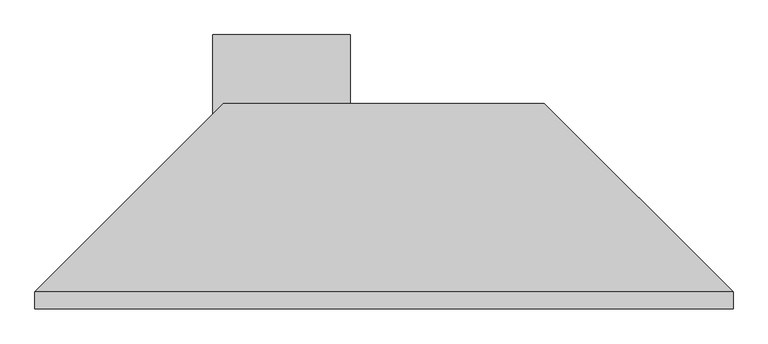
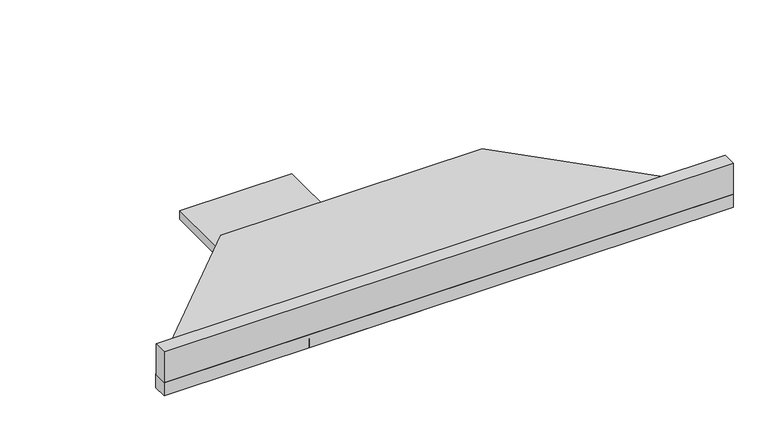
"""IFC4 building model written with IfcOpenShell, lengths in millimetres: proxy geometry."""

from ifc_helpers import new_model, si_unit, frame, origin, place, context, project, spatial, polyline, outline, extrude, source, transform, mapped, element, save


def specialty_equipment_2c3968e7(model_context):
    return source(origin(), model_context, "Body", "SweptSolid", [
        extrude(outline(polyline([(-547.6510783, -266.7), (1002.6430003, -266.7), (1002.6430003, -304.8), (-547.6510783, -304.8), (-547.6510783, -266.7)])), frame((0.0, 0.0, 876.3), z_axis=(0.0, 0.0, 1.0), x_axis=(1.0, 0.0, 0.0)), (0.0, 0.0, 1.0), 88.9),
        extrude(outline(polyline([(1002.6430003, -304.8), (-547.6510783, -304.8), (-547.6510783, -266.1011418), (-129.1499366, 152.4), (583.5743714, 152.4), (1002.6430003, -266.6686289), (1002.6430003, -304.8)])), frame((0.0, 0.0, 838.2), z_axis=(0.0, 0.0, 1.0), x_axis=(1.0, 0.0, 0.0)), (0.0, 0.0, 1.0), 38.1),
        extrude(outline(polyline([(-152.4, -304.8), (-152.4, 0.0), (-152.4, 304.8), (152.4, 304.8), (152.4, -304.8), (-152.4, -304.8)])), frame((0.0, 0.0, 838.2), z_axis=(0.0, 0.0, 1.0), x_axis=(1.0, 0.0, 0.0)), (0.0, 0.0, 1.0), 25.4),
    ])


if __name__ == "__main__":
    model = new_model("IFC4")
    model_context = context("Model", 3, world=origin())
    ifc_project = project(units=[si_unit("LENGTHUNIT", "METRE", prefix="MILLI")], contexts=[model_context])
    site = spatial("IfcSite", under=ifc_project)
    building = spatial("IfcBuilding", under=site)
    placement = place(None, origin())
    specialty_equipment_shape = specialty_equipment_2c3968e7(model_context)
    element("IfcBuildingElementProxy", 1, Name="Specialty Equipment", at=placement, inside=building, context=model_context, shape_type="MappedRepresentation", body=[
        mapped(specialty_equipment_shape, transform((0.0, 0.0, 0.0), x_axis=(1.0, 0.0, 0.0), y_axis=(0.0, 1.0, 0.0), z_axis=(0.0, 0.0, 1.0))),
    ])
    save(model, "model.ifc")
